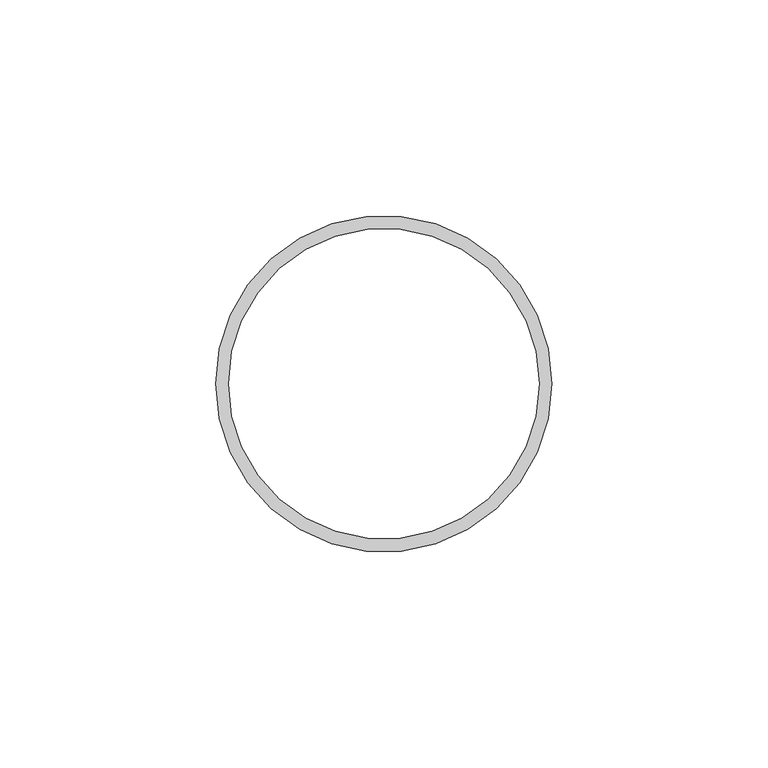
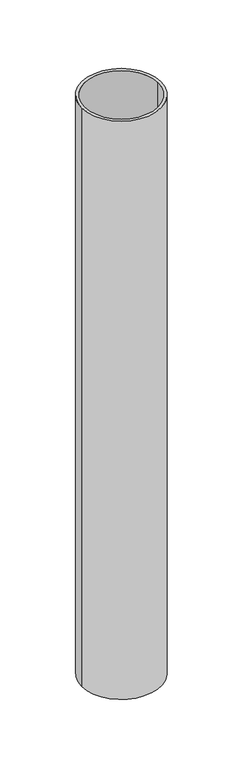
"""IFC4 building model written with IfcOpenShell, lengths in millimetres: beam geometry."""

import ifcopenshell
import ifcopenshell.guid

model = None  # the IFC model being written
_history = None  # IfcOwnerHistory: only IFC2X3 demands one
_inside = {}  # id of a spatial element -> (the spatial element, [elements in it])
_under = {}  # id of a project, library or spatial element -> (it, [spatial elements below it])
_declared = {}  # id of a project -> (the project, [libraries it declares])
_typed = {}  # id of a type object -> (the type object, [elements of that type])
_made_of = {}  # id of a material, layer set ... -> (it, [elements and type objects made of it])


def new_model(schema):
    """Start an empty IFC model of exactly this schema.

    Asked for "IFC4X3", IfcOpenShell would pick the latest addendum, in which some entities
    have other attributes; the version numbers below select the first issue.
    IFC2X3 requires an IfcOwnerHistory on every rooted entity: one is made here for all.
    """
    global model, _history
    if schema == "IFC4X3":
        model = ifcopenshell.file(schema_version=(4, 3, 0, 0))
    else:
        model = ifcopenshell.file(schema=schema)
    _inside.clear()
    _under.clear()
    _declared.clear()
    _typed.clear()
    _made_of.clear()
    _history = None
    if model.schema == "IFC2X3":
        org = make("IfcOrganization", Name="unknown")
        user = make(
            "IfcPersonAndOrganization",
            ThePerson=make("IfcPerson", FamilyName="unknown"),
            TheOrganization=org,
        )
        app = make(
            "IfcApplication",
            ApplicationDeveloper=org,
            Version="unknown",
            ApplicationFullName="unknown",
            ApplicationIdentifier="unknown",
        )
        _history = make(
            "IfcOwnerHistory",
            OwningUser=user,
            OwningApplication=app,
            ChangeAction="ADDED",
            CreationDate=0,
        )
    return model


def make(cls, **values):
    """One entity of the class cls with the attributes given. An attribute that is None is left unset."""
    return model.create_entity(
        cls, **{name: value for name, value in values.items() if value is not None}
    )


def rooted(cls, **values):
    """An entity with a GlobalId (a new one), such as an element, a storey or a relation."""
    return make(cls, GlobalId=ifcopenshell.guid.new(), OwnerHistory=_history, **values)


def si_unit(unit_type, name, prefix=None):
    """IfcSIUnit, for example si_unit("LENGTHUNIT", "METRE", prefix="MILLI")."""
    return make("IfcSIUnit", UnitType=unit_type, Prefix=prefix, Name=name)


def assignment(units):
    """IfcUnitAssignment: the units of a project."""
    return None if units is None else make("IfcUnitAssignment", Units=units)


def point(xyz):
    """IfcCartesianPoint."""
    return None if xyz is None else make("IfcCartesianPoint", Coordinates=xyz)


def direction(xyz):
    """IfcDirection."""
    return None if xyz is None else make("IfcDirection", DirectionRatios=xyz)


def frame(location, z_axis=None, x_axis=None):
    """IfcAxis2Placement3D, a coordinate frame: its origin and axes. An axis left out is left unset."""
    return make(
        "IfcAxis2Placement3D",
        Location=point(location),
        Axis=direction(z_axis),
        RefDirection=direction(x_axis),
    )


def frame_2d(location, x_axis=None):
    """IfcAxis2Placement2D, a coordinate frame in the plane: its origin and x axis."""
    return make(
        "IfcAxis2Placement2D", Location=point(location), RefDirection=direction(x_axis)
    )


def origin():
    """The frame at (0, 0, 0) with its axes left unset."""
    return frame((0.0, 0.0, 0.0))


def origin_2d():
    """The frame at (0, 0) in the plane with its x axis left unset."""
    return frame_2d((0.0, 0.0))


def place(relative_to, where):
    """IfcLocalPlacement: puts the frame where relative to a parent placement (None: the world)."""
    return make(
        "IfcLocalPlacement", PlacementRelTo=relative_to, RelativePlacement=where
    )


def context(
    kind, dimensions, precision=None, world=None, true_north=None, identifier=None
):
    """IfcGeometricRepresentationContext, for example the 3D "Model" context."""
    return make(
        "IfcGeometricRepresentationContext",
        ContextIdentifier=identifier,
        ContextType=kind,
        CoordinateSpaceDimension=dimensions,
        Precision=precision,
        WorldCoordinateSystem=world,
        TrueNorth=true_north,
    )


def project(units=None, contexts=None):
    """IfcProject with its units and contexts."""
    return rooted(
        "IfcProject",
        Name="project",
        RepresentationContexts=contexts,
        UnitsInContext=assignment(units),
    )


def spatial(cls, under=None, at=None, **own):
    """A site, building, storey or space (cls), placed at a placement, below another one or the project."""
    s = rooted(cls, ObjectPlacement=at, **own)
    if under is not None:
        _under.setdefault(under.id(), (under, []))[1].append(s)
    return s


def circle_curve(where, radius):
    """IfcCircle in the frame where."""
    return make("IfcCircle", Position=where, Radius=radius)


def trimmed(basis, trim1, trim2, sense, master):
    """IfcTrimmedCurve: the piece of a basis curve between two trims."""
    return make(
        "IfcTrimmedCurve",
        BasisCurve=basis,
        Trim1=trim1,
        Trim2=trim2,
        SenseAgreement=sense,
        MasterRepresentation=master,
    )


def segment(curve, same_sense, transition):
    """IfcCompositeCurveSegment."""
    return make(
        "IfcCompositeCurveSegment",
        Transition=transition,
        SameSense=same_sense,
        ParentCurve=curve,
    )


def composite_curve(segments, self_intersect=None):
    """IfcCompositeCurve: segments joined end to end."""
    return make("IfcCompositeCurve", Segments=segments, SelfIntersect=self_intersect)


def outline(outer, holes=None, kind="AREA"):
    """IfcArbitraryClosedProfileDef: a profile drawn as a closed curve; with holes, ...WithVoids."""
    if holes is None:
        return make("IfcArbitraryClosedProfileDef", ProfileType=kind, OuterCurve=outer)
    return make(
        "IfcArbitraryProfileDefWithVoids",
        ProfileType=kind,
        OuterCurve=outer,
        InnerCurves=holes,
    )


def extrude(swept, where, along, depth):
    """IfcExtrudedAreaSolid: the profile swept, set in the frame where, extruded along a direction by depth."""
    return make(
        "IfcExtrudedAreaSolid",
        SweptArea=swept,
        Position=where,
        ExtrudedDirection=direction(along),
        Depth=depth,
    )


def shape(context_of_items, identifier, shape_type, items):
    """IfcShapeRepresentation: the items that make up one representation, for example the "Body"."""
    return make(
        "IfcShapeRepresentation",
        ContextOfItems=context_of_items,
        RepresentationIdentifier=identifier,
        RepresentationType=shape_type,
        Items=items,
    )


def source(mapping_origin, context_of_items, identifier, shape_type, items):
    """IfcRepresentationMap: a shape defined once, which mapped items show again and again."""
    return make(
        "IfcRepresentationMap",
        MappingOrigin=mapping_origin,
        MappedRepresentation=shape(context_of_items, identifier, shape_type, items),
    )


def transform(
    local_origin,
    x_axis=None,
    y_axis=None,
    z_axis=None,
    scale=None,
    scale2=None,
    scale3=None,
    uniform=True,
):
    """IfcCartesianTransformationOperator3D, or its non-uniform kind. x_axis, y_axis, z_axis: its Axis1, 2, 3."""
    if uniform:
        return make(
            "IfcCartesianTransformationOperator3D",
            Axis1=direction(x_axis),
            Axis2=direction(y_axis),
            LocalOrigin=point(local_origin),
            Scale=scale,
            Axis3=direction(z_axis),
        )
    return make(
        "IfcCartesianTransformationOperator3DnonUniform",
        Axis1=direction(x_axis),
        Axis2=direction(y_axis),
        LocalOrigin=point(local_origin),
        Scale=scale,
        Axis3=direction(z_axis),
        Scale2=scale2,
        Scale3=scale3,
    )


def mapped(mapping_source, mapping_target):
    """IfcMappedItem: shows the shape of a source again, moved by a transform."""
    return make(
        "IfcMappedItem", MappingSource=mapping_source, MappingTarget=mapping_target
    )


def made_of(thing, what):
    """Note that an element or type object is made of a material, layer set ...; save() writes the relation."""
    if what is not None:
        _made_of.setdefault(what.id(), (what, []))[1].append(thing)
    return thing


def element(
    cls,
    number,
    at=None,
    inside=None,
    cuts=None,
    type_object=None,
    material=None,
    context=None,
    identifier="Body",
    shape_type=None,
    held_by="IfcProductDefinitionShape",
    body=None,
    shapes=None,
    **own,
):
    """One element of the class cls, such as IfcWall. Its Tag is "e" and its number.

    at: its placement. inside: the storey or other place that contains it. cuts: it is an
    opening in that element (IfcRelVoidsElement). A single representation is given by context,
    identifier, shape_type and body (its items); several are given by shapes. held_by: the class
    of the entity that holds the representations. save() writes the other relations.
    """
    e = rooted(cls, Tag="e%d" % number, ObjectPlacement=at, **own)
    if body is not None:
        shapes = [shape(context, identifier, shape_type, body)]
    if shapes is not None:
        e.Representation = make(held_by, Representations=shapes)
    if inside is not None:
        _inside.setdefault(inside.id(), (inside, []))[1].append(e)
    if cuts is not None:
        rooted(
            "IfcRelVoidsElement", RelatingBuildingElement=cuts, RelatedOpeningElement=e
        )
    if type_object is not None:
        _typed.setdefault(type_object.id(), (type_object, []))[1].append(e)
    return made_of(e, material)


def aggregate(whole, parts):
    """IfcRelAggregates: a whole, such as a stair, and the parts it consists of."""
    return rooted("IfcRelAggregates", RelatingObject=whole, RelatedObjects=parts)


def save(model, path):
    """Write the relations noted so far, then the file.

    IfcRelAggregates (storeys below a building ...), IfcRelContainedInSpatialStructure (elements
    in a storey), IfcRelDefinesByType, IfcRelAssociatesMaterial and IfcRelDeclares: one each for
    every whole, place, type object, material and project.
    """
    for whole, parts in _under.values():
        aggregate(whole, parts)
    for where, things in _inside.values():
        rooted(
            "IfcRelContainedInSpatialStructure",
            RelatedElements=things,
            RelatingStructure=where,
        )
    for kind, things in _typed.values():
        rooted("IfcRelDefinesByType", RelatedObjects=things, RelatingType=kind)
    for what, things in _made_of.values():
        rooted("IfcRelAssociatesMaterial", RelatedObjects=things, RelatingMaterial=what)
    for by, libraries in _declared.values():
        rooted("IfcRelDeclares", RelatingContext=by, RelatedDefinitions=libraries)
    model.write(path)


def beam_3778904e(model_context):
    return source(origin(), model_context, "Body", "SweptSolid", [
        extrude(outline(composite_curve([segment(trimmed(circle_curve(origin_2d(), 39.0), [point((39.0, 0.0))], [point((-39.0, 0.0))], False, "CARTESIAN"), True, "CONTINUOUS"), segment(trimmed(circle_curve(origin_2d(), 39.0), [point((-39.0, 0.0))], [point((39.0, 0.0))], False, "CARTESIAN"), True, "CONTINUOUS")], self_intersect=False), holes=[composite_curve([segment(trimmed(circle_curve(origin_2d(), 36.0), [point((36.0, 0.0))], [point((-36.0, 0.0))], True, "CARTESIAN"), True, "CONTINUOUS"), segment(trimmed(circle_curve(origin_2d(), 36.0), [point((-36.0, 0.0))], [point((36.0, 0.0))], True, "CARTESIAN"), True, "CONTINUOUS")], self_intersect=False)]), frame((0.0, 0.0, -600.0), z_axis=(0.0, 0.0, 1.0), x_axis=(1.0, 0.0, 0.0)), (0.0, 0.0, 1.0), 600.0),
    ])


if __name__ == "__main__":
    model = new_model("IFC4")
    model_context = context("Model", 3, world=origin())
    ifc_project = project(units=[si_unit("LENGTHUNIT", "METRE", prefix="MILLI")], contexts=[model_context])
    site = spatial("IfcSite", under=ifc_project)
    building = spatial("IfcBuilding", under=site)
    placement = place(None, origin())
    beam_shape = beam_3778904e(model_context)
    element("IfcBeam", 1, at=placement, inside=building, context=model_context, shape_type="MappedRepresentation", body=[
        mapped(beam_shape, transform((0.0, 0.0, 0.0), x_axis=(1.0, 0.0, 0.0), y_axis=(0.0, 1.0, 0.0), z_axis=(0.0, 0.0, 1.0))),
    ])
    save(model, "model.ifc")
